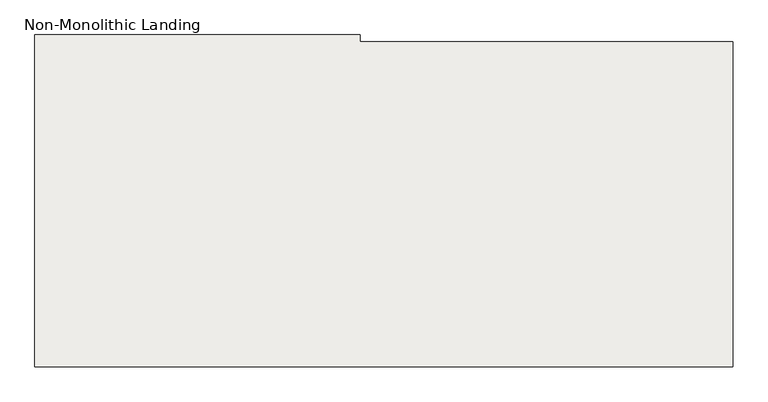
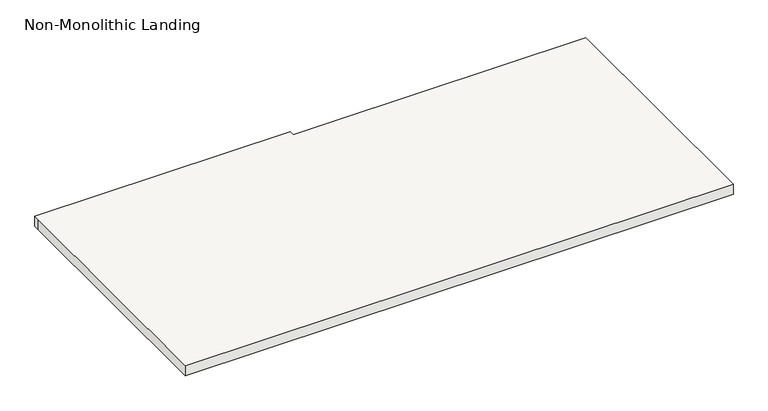
"""IFC4 building model written with IfcOpenShell, lengths in millimetres: slab geometry, Non-Monolithic Landing."""

from ifc_helpers import new_model, si_unit, frame, origin, place, context, project, spatial, polyline, outline, extrude, source, transform, mapped, element, save


def non_monolithic_landing_1145d3bc(model_context):
    return source(origin(), model_context, "Body", "SweptSolid", [
        extrude(outline(polyline([(-225997.8890136, 147295.3023046), (-225997.8890136, 146076.1023046), (-228615.6765136, 146076.1023046), (-228615.6765136, 147295.3023046), (-228615.6765136, 147320.7023046), (-227396.4765136, 147320.7023046), (-227396.4765136, 147295.3023046), (-227217.0890136, 147295.3023046), (-225997.8890136, 147295.3023046)])), frame((0.0, 0.0, -791.0285714), z_axis=(0.0, 0.0, 1.0), x_axis=(1.0, 0.0, 0.0)), (0.0, 0.0, 1.0), 50.8),
    ])


if __name__ == "__main__":
    model = new_model("IFC4")
    model_context = context("Model", 3, world=origin())
    ifc_project = project(units=[si_unit("LENGTHUNIT", "METRE", prefix="MILLI")], contexts=[model_context])
    site = spatial("IfcSite", under=ifc_project)
    building = spatial("IfcBuilding", under=site)
    placement = place(None, origin())
    non_monolithic_landing_shape = non_monolithic_landing_1145d3bc(model_context)
    element("IfcSlab", 1, ObjectType="Non-Monolithic Landing", at=placement, inside=building, context=model_context, shape_type="MappedRepresentation", body=[
        mapped(non_monolithic_landing_shape, transform((0.0, 0.0, 0.0), x_axis=(1.0, 0.0, 0.0), y_axis=(0.0, 1.0, 0.0), z_axis=(0.0, 0.0, 1.0))),
    ])
    save(model, "model.ifc")
